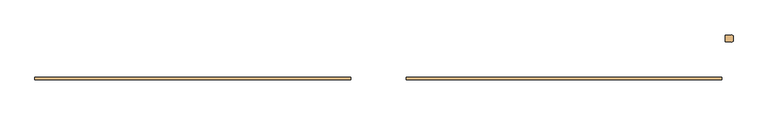
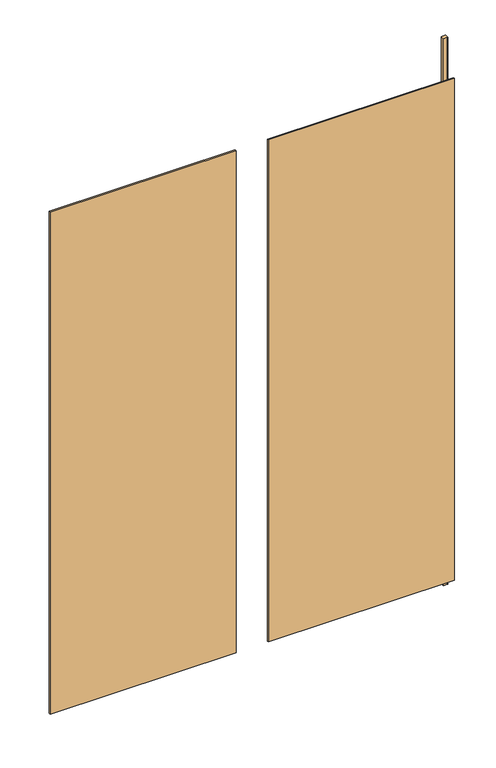
"""IFC4 building model written with IfcOpenShell, lengths in millimetres: door geometry."""

from ifc_helpers import new_model, si_unit, frame, origin, origin_with_axes, place, context, project, spatial, polyline, outline, extrude, source, transform, mapped, element, save


def door_f7fe6c5f(model_context):
    return source(origin(), model_context, "Body", "SweptSolid", [
        extrude(outline(polyline([(775.0000682, -9.0000801), (775.0000682, 4.9999499), (789.0000704, 4.9999499), (789.2680196, 5.9999499), (792.0, 4.4226402), (792.0, -8.4227705), (789.2680196, -10.0000801), (789.0000704, -9.0000801), (775.0000682, -9.0000801)])), origin_with_axes(), (0.0, 0.0, 1.0), 2192.6124476),
        extrude(outline(polyline([(-766.9991063, -94.0006379), (-766.9991063, -88.0006379), (-62.0009619, -88.0006379), (-62.0009619, -94.0006379), (-766.9991063, -94.0006379)])), frame((0.0, 0.0, 75.0500003), z_axis=(0.0, 0.0, 1.0), x_axis=(1.0, 0.0, 0.0)), (0.0, 0.0, 1.0), 2012.5624474),
        extrude(outline(polyline([(766.9991063, -94.0006379), (62.0009619, -94.0006379), (62.0009619, -88.0006379), (766.9991063, -88.0006379), (766.9991063, -94.0006379)])), frame((0.0, 0.0, 75.0500003), z_axis=(0.0, 0.0, 1.0), x_axis=(1.0, 0.0, 0.0)), (0.0, 0.0, 1.0), 2012.5624474),
    ])


if __name__ == "__main__":
    model = new_model("IFC4")
    model_context = context("Model", 3, world=origin())
    ifc_project = project(units=[si_unit("LENGTHUNIT", "METRE", prefix="MILLI")], contexts=[model_context])
    site = spatial("IfcSite", under=ifc_project)
    building = spatial("IfcBuilding", under=site)
    placement = place(None, origin())
    door_shape = door_f7fe6c5f(model_context)
    element("IfcDoor", 1, at=placement, inside=building, context=model_context, shape_type="MappedRepresentation", body=[
        mapped(door_shape, transform((0.0, 0.0, 0.0), x_axis=(1.0, 0.0, 0.0), y_axis=(0.0, 1.0, 0.0), z_axis=(0.0, 0.0, 1.0))),
    ])
    save(model, "model.ifc")
